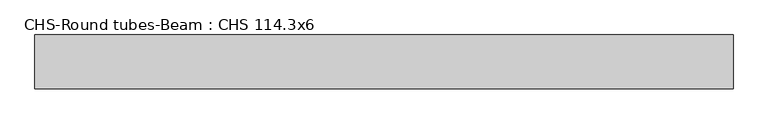
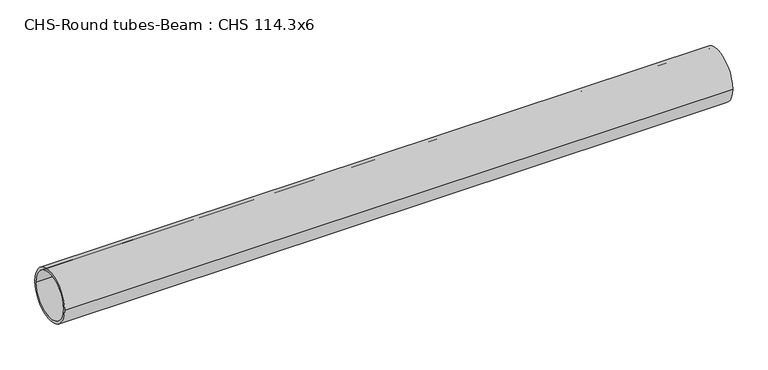
"""IFC4 building model written with IfcOpenShell, lengths in millimetres: beam geometry, CHS-Round tubes-Beam : CHS 114.3x6."""

from ifc_helpers import new_model, si_unit, point, frame, origin, origin_2d, place, context, project, spatial, circle_curve, trimmed, segment, composite_curve, outline, extrude, source, transform, mapped, element, save


def chs_round_tubes_beam_chs_114_3x6_f1fbea3e(model_context):
    return source(origin(), model_context, "Body", "SweptSolid", [
        extrude(outline(composite_curve([segment(trimmed(circle_curve(origin_2d(), 57.15), [point((57.15, 0.0))], [point((-57.15, 0.0))], False, "CARTESIAN"), True, "CONTINUOUS"), segment(trimmed(circle_curve(origin_2d(), 57.15), [point((-57.15, 0.0))], [point((57.15, 0.0))], False, "CARTESIAN"), True, "CONTINUOUS")], self_intersect=False), holes=[composite_curve([segment(trimmed(circle_curve(origin_2d(), 51.15), [point((51.15, 0.0))], [point((-51.15, 0.0))], True, "CARTESIAN"), True, "CONTINUOUS"), segment(trimmed(circle_curve(origin_2d(), 51.15), [point((-51.15, 0.0))], [point((51.15, 0.0))], True, "CARTESIAN"), True, "CONTINUOUS")], self_intersect=False)]), frame((-755.3275207, 0.0, 0.0), z_axis=(1.0, 0.0, 0.0), x_axis=(0.0, 1.0, 0.0)), (0.0, 0.0, 1.0), 1477.3915879),
    ])


if __name__ == "__main__":
    model = new_model("IFC4")
    model_context = context("Model", 3, world=origin())
    ifc_project = project(units=[si_unit("LENGTHUNIT", "METRE", prefix="MILLI")], contexts=[model_context])
    site = spatial("IfcSite", under=ifc_project)
    building = spatial("IfcBuilding", under=site)
    placement = place(None, origin())
    chs_round_tubes_beam_chs_114_3x6_shape = chs_round_tubes_beam_chs_114_3x6_f1fbea3e(model_context)
    element("IfcBeam", 1, ObjectType="CHS-Round tubes-Beam : CHS 114.3x6", at=placement, inside=building, context=model_context, shape_type="MappedRepresentation", body=[
        mapped(chs_round_tubes_beam_chs_114_3x6_shape, transform((0.0, 0.0, 0.0), x_axis=(1.0, 0.0, 0.0), y_axis=(0.0, 1.0, 0.0), z_axis=(0.0, 0.0, 1.0))),
    ])
    save(model, "model.ifc")
